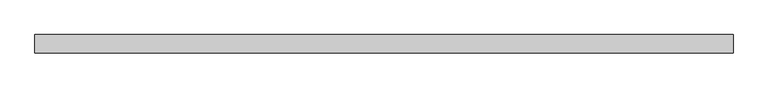
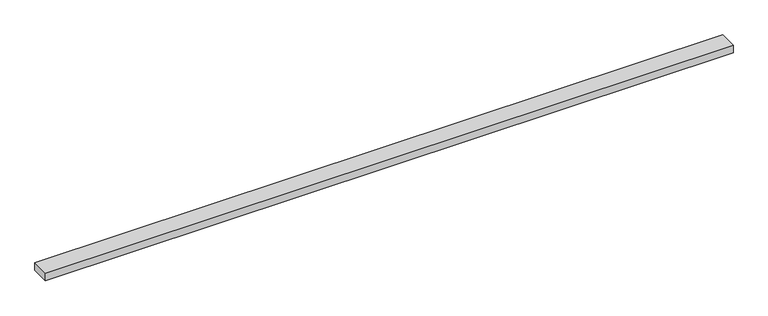
"""IFC4 building model written with IfcOpenShell, lengths in millimetres: beam geometry."""

from ifc_helpers import new_model, si_unit, frame, origin, place, context, project, spatial, polyline, outline, extrude, source, transform, mapped, element, save


def beam_0ebf9e98(model_context):
    return source(origin(), model_context, "Body", "SweptSolid", [
        extrude(outline(polyline([(973.8680672, 25.0), (973.8680672, -25.0), (-919.0105739, -25.0), (-919.0105739, 25.0), (973.8680672, 25.0)])), frame((0.0, 0.0, -11.0), z_axis=(0.0, 0.0, 1.0), x_axis=(1.0, 0.0, 0.0)), (0.0, 0.0, 1.0), 22.0),
    ])


if __name__ == "__main__":
    model = new_model("IFC4")
    model_context = context("Model", 3, world=origin())
    ifc_project = project(units=[si_unit("LENGTHUNIT", "METRE", prefix="MILLI")], contexts=[model_context])
    site = spatial("IfcSite", under=ifc_project)
    building = spatial("IfcBuilding", under=site)
    placement = place(None, origin())
    beam_shape = beam_0ebf9e98(model_context)
    element("IfcBeam", 1, at=placement, inside=building, context=model_context, shape_type="MappedRepresentation", body=[
        mapped(beam_shape, transform((0.0, 0.0, 0.0), x_axis=(1.0, 0.0, 0.0), y_axis=(0.0, 1.0, 0.0), z_axis=(0.0, 0.0, 1.0))),
    ])
    save(model, "model.ifc")
